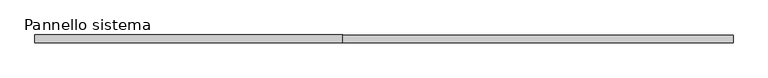
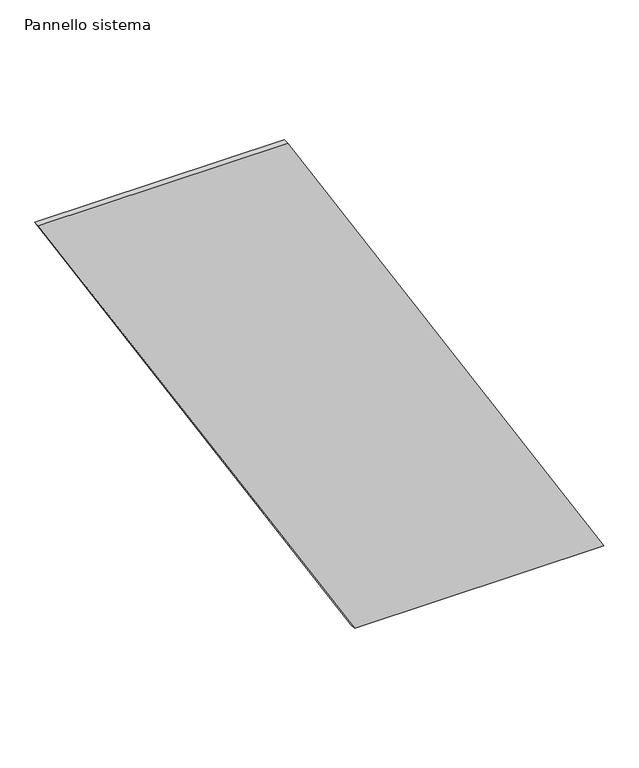
"""IFC4 building model written with IfcOpenShell, lengths in millimetres: plate geometry, Pannello sistema."""

from ifc_helpers import new_model, si_unit, frame, origin, place, context, project, spatial, polyline, outline, extrude, source, transform, mapped, element, save


def pannello_sistema_3668f859(model_context):
    return source(origin(), model_context, "Body", "SweptSolid", [
        extrude(outline(polyline([(0.0, 135.8368633), (0.0, 1147.206164), (2178.174828, -135.8368633), (2178.174828, -1147.206164), (0.0, 135.8368633)])), frame((0.0, -12.5, 0.0), z_axis=(0.0, 1.0, 0.0), x_axis=(0.0, 0.0, 1.0)), (0.0, 0.0, 1.0), 25.0),
    ])


if __name__ == "__main__":
    model = new_model("IFC4")
    model_context = context("Model", 3, world=origin())
    ifc_project = project(units=[si_unit("LENGTHUNIT", "METRE", prefix="MILLI")], contexts=[model_context])
    site = spatial("IfcSite", under=ifc_project)
    building = spatial("IfcBuilding", under=site)
    placement = place(None, origin())
    pannello_sistema_shape = pannello_sistema_3668f859(model_context)
    element("IfcPlate", 1, ObjectType="Pannello sistema", at=placement, inside=building, context=model_context, shape_type="MappedRepresentation", body=[
        mapped(pannello_sistema_shape, transform((0.0, 0.0, 0.0), x_axis=(1.0, 0.0, 0.0), y_axis=(0.0, 1.0, 0.0), z_axis=(0.0, 0.0, 1.0))),
    ])
    save(model, "model.ifc")
